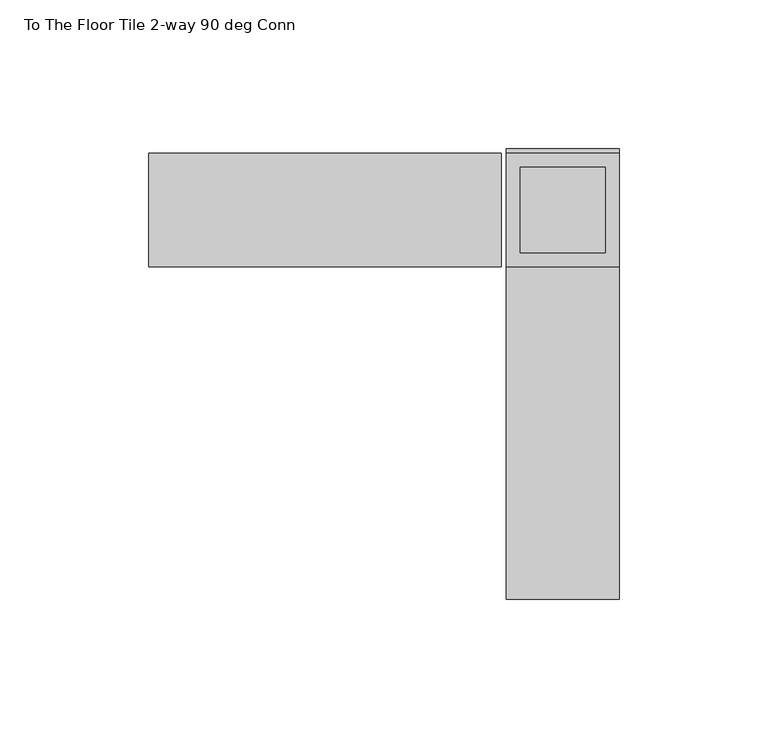
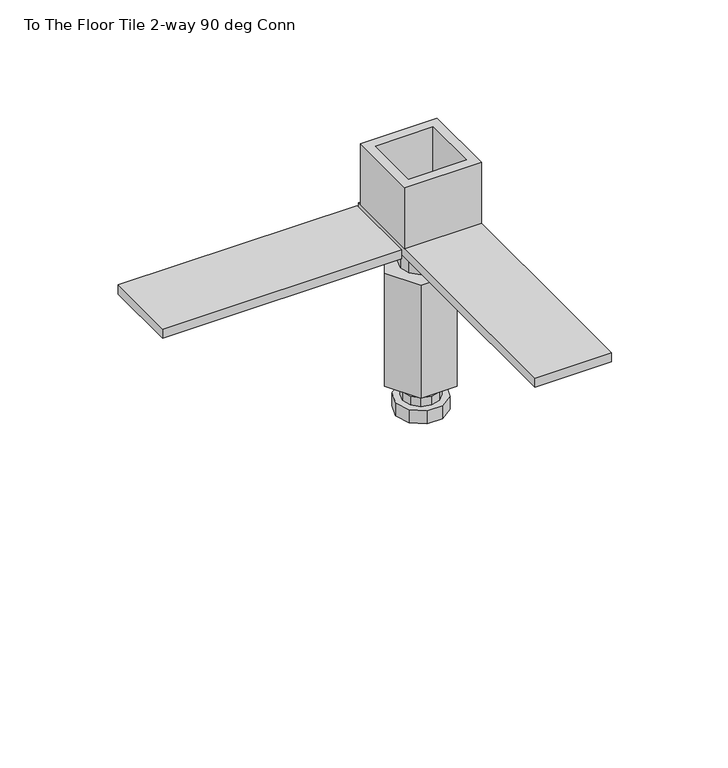
"""IFC4 building model written with IfcOpenShell, lengths in millimetres: furniture geometry, To The Floor Tile 2-way 90 deg Conn."""

from ifc_helpers import new_model, si_unit, frame, origin, origin_with_axes, place, context, project, spatial, polyline, outline, extrude, source, transform, mapped, element, save


def to_the_floor_tile_2_way_90_deg_conn_3fa563b6(model_context):
    return source(origin(), model_context, "Body", "SweptSolid", [
        extrude(outline(polyline([(34.5470198, -47.1868473), (31.2145175, -43.8543426), (29.9947359, -39.3020587), (31.2145175, -34.7497748), (34.5470198, -31.4172725), (39.0993037, -30.1974909), (43.6515888, -31.4172725), (46.9840923, -34.7497748), (48.2038727, -39.3020587), (46.9840923, -43.8543426), (43.6515888, -47.1868473), (39.0993037, -48.4066266), (34.5470198, -47.1868473)])), frame((0.0, 0.0, 6.7496476), z_axis=(0.0, 0.0, 1.0), x_axis=(1.0, 0.0, 0.0)), (0.0, 0.0, 1.0), 4.4997645),
        extrude(outline(polyline([(30.3004881, -44.3820584), (28.9393066, -39.3020587), (30.3004881, -34.2220568), (34.0193063, -30.5032408), (39.099306, -29.1420571), (44.1793057, -30.5032408), (47.898124, -34.2220568), (49.2593054, -39.3020587), (47.898124, -44.3820584), (44.1793057, -48.1008767), (39.099306, -49.4620581), (34.0193063, -48.1008767), (30.3004881, -44.3820584)])), frame((0.0, 0.0, 76.7079995), z_axis=(0.0, 0.0, 1.0), x_axis=(1.0, 0.0, 0.0)), (0.0, 0.0, 1.0), 19.8882028),
        extrude(outline(polyline([(34.3888968, -39.3020587), (35.019972, -36.9468564), (36.7441014, -35.222727), (39.0993037, -34.5916518), (41.4545084, -35.222727), (43.1786366, -36.9468564), (43.8097107, -39.3020587), (43.1786366, -41.6572611), (41.4545084, -43.3813928), (39.0993037, -44.012468), (36.7441014, -43.3813928), (35.019972, -41.6572611), (34.3888968, -39.3020587)])), frame((0.0, 0.0, 11.2494121), z_axis=(0.0, 0.0, 1.0), x_axis=(1.0, 0.0, 0.0)), (0.0, 0.0, 1.0), 40.2605479),
        extrude(outline(polyline([(28.9062236, -31.8963516), (35.2058936, -27.3193735), (42.992715, -27.3193735), (49.2923861, -31.8963516), (51.698646, -39.3020587), (49.2923861, -46.7077659), (42.992715, -51.2847439), (35.2058936, -51.2847439), (28.9062236, -46.7077659), (26.4999638, -39.3020587), (28.9062236, -31.8963516)])), origin_with_axes(), (0.0, 0.0, 1.0), 6.7496476),
        extrude(outline(polyline([(30.1100655, -23.7322356), (48.0885466, -23.7322356), (57.0777874, -39.3020587), (48.0885466, -54.8718796), (30.1100655, -54.8718796), (21.1208249, -39.3020587), (30.1100655, -23.7322356)])), frame((0.0, 0.0, 17.3990004), z_axis=(0.0, 0.0, 1.0), x_axis=(1.0, 0.0, 0.0)), (0.0, 0.0, 1.0), 59.3089991),
        extrude(outline(polyline([(58.1493037, -58.3520587), (20.0493037, -58.3520587), (20.0493037, -20.2520587), (58.1493037, -20.2520587), (58.1493037, -58.3520587)]), holes=[polyline([(53.3995037, -25.0018574), (24.7610057, -25.0018574), (24.7610057, -53.6022593), (53.3995037, -53.6022593), (53.3995037, -25.0018574)])]), frame((0.0, 0.0, 101.346), z_axis=(0.0, 0.0, 1.0), x_axis=(1.0, 0.0, 0.0)), (0.0, 0.0, 1.0), 32.004),
        extrude(outline(polyline([(58.1493037, -170.1755566), (20.0493037, -170.1755566), (20.0493037, -18.6645587), (58.1493037, -18.6645587), (58.1493037, -170.1755566)])), frame((0.0, 0.0, 96.5962), z_axis=(0.0, 0.0, 1.0), x_axis=(1.0, 0.0, 0.0)), (0.0, 0.0, 1.0), 4.7498),
        extrude(outline(polyline([(18.4618035, -20.2520587), (18.4618035, -58.3520587), (-100.1688963, -58.3520587), (-100.1688963, -20.2520587), (18.4618035, -20.2520587)])), frame((0.0, 0.0, 96.5962), z_axis=(0.0, 0.0, 1.0), x_axis=(1.0, 0.0, 0.0)), (0.0, 0.0, 1.0), 4.7498),
    ])


if __name__ == "__main__":
    model = new_model("IFC4")
    model_context = context("Model", 3, world=origin())
    ifc_project = project(units=[si_unit("LENGTHUNIT", "METRE", prefix="MILLI")], contexts=[model_context])
    site = spatial("IfcSite", under=ifc_project)
    building = spatial("IfcBuilding", under=site)
    placement = place(None, origin())
    to_the_floor_tile_2_way_90_deg_conn_shape = to_the_floor_tile_2_way_90_deg_conn_3fa563b6(model_context)
    element("IfcFurniture", 1, ObjectType="To The Floor Tile 2-way 90 deg Conn", at=placement, inside=building, context=model_context, shape_type="MappedRepresentation", body=[
        mapped(to_the_floor_tile_2_way_90_deg_conn_shape, transform((0.0, 0.0, 0.0), x_axis=(1.0, 0.0, 0.0), y_axis=(0.0, 1.0, 0.0), z_axis=(0.0, 0.0, 1.0))),
    ])
    save(model, "model.ifc")
